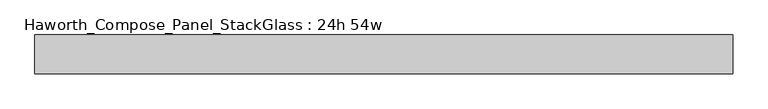
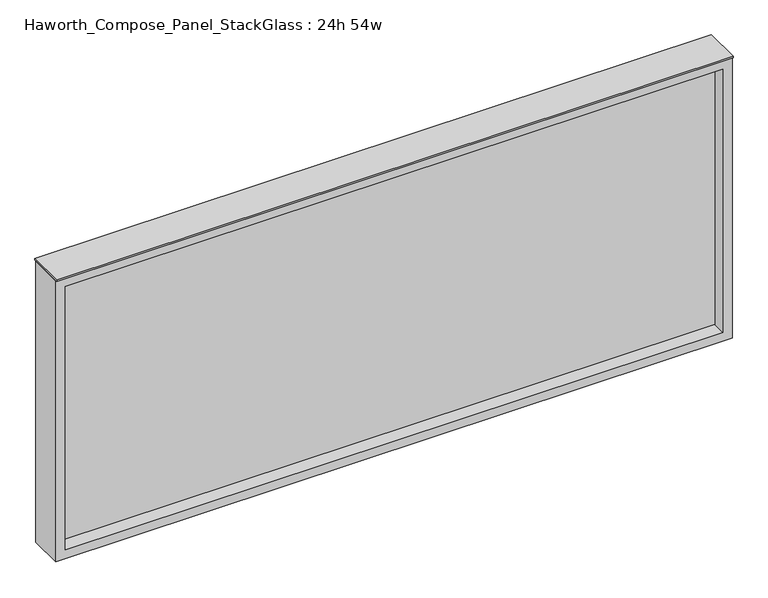
"""IFC4 building model written with IfcOpenShell, lengths in millimetres: furniture geometry, Haworth_Compose_Panel_StackGlass : 24h 54w."""

from ifc_helpers import new_model, si_unit, frame, origin, place, context, project, spatial, polyline, outline, extrude, source, transform, mapped, element, save


def haworth_compose_panel_stackglass_24h_54w_d4d21205(model_context):
    return source(origin(), model_context, "Body", "SweptSolid", [
        extrude(outline(polyline([(669.1902902, -6.35), (-664.3097098, -6.35), (-664.3097098, 6.35), (669.1902902, 6.35), (669.1902902, -6.35)])), frame((0.0, 0.0, 1085.85), z_axis=(0.0, 0.0, 1.0), x_axis=(1.0, 0.0, 0.0)), (0.0, 0.0, 1.0), 565.15),
        extrude(outline(polyline([(1670.05, -683.3597098), (1066.8, -683.3597098), (1066.8, 688.2402902), (1670.05, 688.2402902), (1670.05, -683.3597098)]), holes=[polyline([(1651.0, 669.1902902), (1085.85, 669.1902902), (1085.85, -664.3097098), (1651.0, -664.3097098), (1651.0, 669.1902902)])]), frame((0.0, -34.925, 0.0), z_axis=(0.0, 1.0, 0.0), x_axis=(0.0, 0.0, 1.0)), (0.0, 0.0, 1.0), 69.85),
        extrude(outline(polyline([(-683.3597098, -38.1), (-683.3597098, 38.1), (688.2402902, 38.1), (688.2402902, -38.1), (-683.3597098, -38.1)])), frame((0.0, 0.0, 1670.05), z_axis=(0.0, 0.0, 1.0), x_axis=(1.0, 0.0, 0.0)), (0.0, 0.0, 1.0), 3.175),
    ])


if __name__ == "__main__":
    model = new_model("IFC4")
    model_context = context("Model", 3, world=origin())
    ifc_project = project(units=[si_unit("LENGTHUNIT", "METRE", prefix="MILLI")], contexts=[model_context])
    site = spatial("IfcSite", under=ifc_project)
    building = spatial("IfcBuilding", under=site)
    placement = place(None, origin())
    haworth_compose_panel_stackglass_24h_54w_shape = haworth_compose_panel_stackglass_24h_54w_d4d21205(model_context)
    element("IfcFurniture", 1, ObjectType="Haworth_Compose_Panel_StackGlass : 24h 54w", at=placement, inside=building, context=model_context, shape_type="MappedRepresentation", body=[
        mapped(haworth_compose_panel_stackglass_24h_54w_shape, transform((0.0, 0.0, 0.0), x_axis=(1.0, 0.0, 0.0), y_axis=(0.0, 1.0, 0.0), z_axis=(0.0, 0.0, 1.0))),
    ])
    save(model, "model.ifc")
